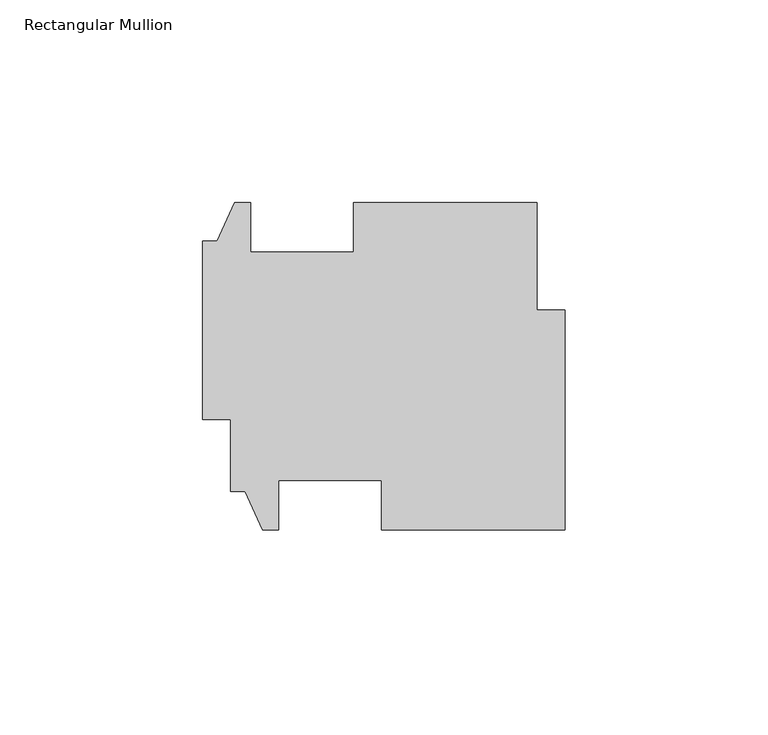
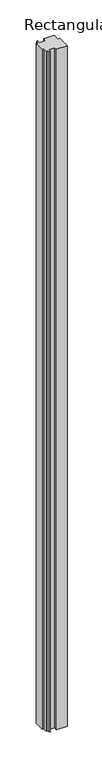
"""IFC4 building model written with IfcOpenShell, lengths in millimetres: member geometry, Rectangular Mullion."""

from ifc_helpers import new_model, si_unit, frame, origin, place, context, project, spatial, polyline, outline, extrude, source, transform, mapped, element, save


def rectangular_mullion_882674cc(model_context):
    return source(origin(), model_context, "Body", "SweptSolid", [
        extrude(outline(polyline([(-78.9432, -29.6643149), (-82.55, -29.6643149), (-82.55, -11.8309685), (-89.4588, -11.8309685), (-89.4588, 32.1364315), (-85.852, 32.1364315), (-81.534, 41.6614315), (-77.6224, 41.6614315), (-77.6224, 29.4440315), (-52.2224, 29.4440315), (-52.2224, 41.6614315), (-6.9088, 41.6614315), (-6.9088, 15.1666851), (0.0, 15.1666851), (0.0, -39.1893149), (-45.3136, -39.1893149), (-45.3136, -26.9719149), (-70.7136, -26.9719149), (-70.7136, -39.1893149), (-74.6252, -39.1893149), (-78.9432, -29.6643149)])), frame((0.0, 0.0, -3048.0), z_axis=(0.0, 0.0, 1.0), x_axis=(1.0, 0.0, 0.0)), (0.0, 0.0, 1.0), 3048.0),
    ])


if __name__ == "__main__":
    model = new_model("IFC4")
    model_context = context("Model", 3, world=origin())
    ifc_project = project(units=[si_unit("LENGTHUNIT", "METRE", prefix="MILLI")], contexts=[model_context])
    site = spatial("IfcSite", under=ifc_project)
    building = spatial("IfcBuilding", under=site)
    placement = place(None, origin())
    rectangular_mullion_shape = rectangular_mullion_882674cc(model_context)
    element("IfcMember", 1, ObjectType="Rectangular Mullion", at=placement, inside=building, context=model_context, shape_type="MappedRepresentation", body=[
        mapped(rectangular_mullion_shape, transform((0.0, 0.0, 0.0), x_axis=(1.0, 0.0, 0.0), y_axis=(0.0, 1.0, 0.0), z_axis=(0.0, 0.0, 1.0))),
    ])
    save(model, "model.ifc")
